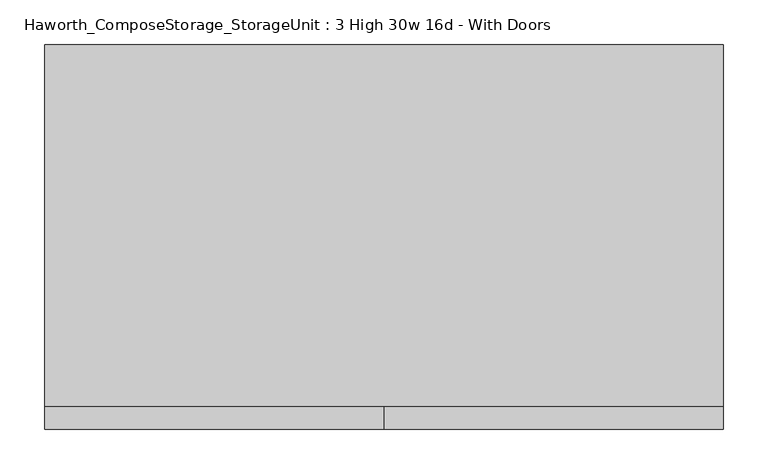
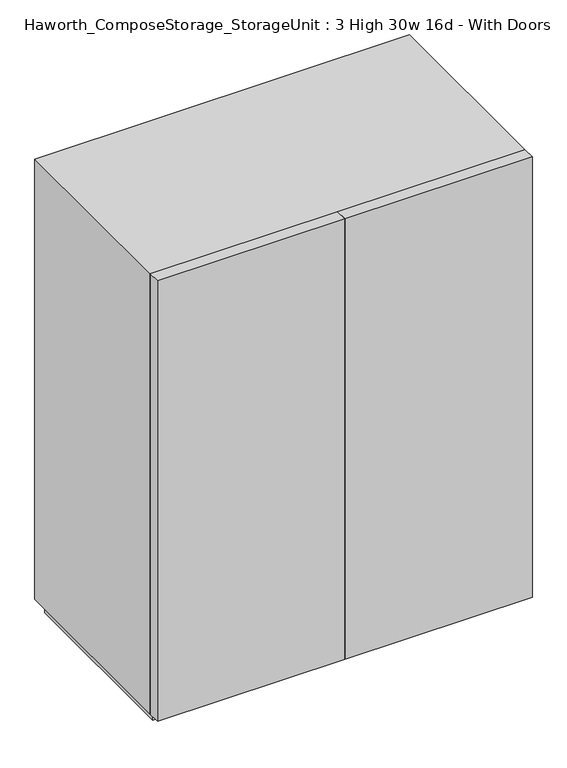
"""IFC4 building model written with IfcOpenShell, lengths in millimetres: furniture geometry, Haworth_ComposeStorage_StorageUnit : 3 High 30w 16d - With Doors."""

from ifc_helpers import new_model, si_unit, frame, origin, origin_with_axes, place, context, project, spatial, polyline, outline, extrude, source, transform, mapped, element, save


def haworth_composestorage_storageunit_3_high_30w_16d_with_doors_0f1ec6e2(model_context):
    return source(origin(), model_context, "Body", "SweptSolid", [
        extrude(outline(polyline([(361.9569453, 219.075), (361.9569453, -152.4), (-361.9291641, -152.4), (-361.9291641, 219.075), (361.9569453, 219.075)])), frame((0.0, 0.0, 652.9916667), z_axis=(0.0, 0.0, 1.0), x_axis=(1.0, 0.0, 0.0)), (0.0, 0.0, 1.0), 19.05),
        extrude(outline(polyline([(361.9569453, 219.075), (361.9569453, -152.4), (-361.9291641, -152.4), (-361.9291641, 219.075), (361.9569453, 219.075)])), frame((0.0, 0.0, 324.9083333), z_axis=(0.0, 0.0, 1.0), x_axis=(1.0, 0.0, 0.0)), (0.0, 0.0, 1.0), 19.05),
        extrude(outline(polyline([(0.0138906, -177.8), (0.0138906, -152.4), (381.0138906, -152.4), (381.0138906, -177.8), (0.0138906, -177.8)])), frame((0.0, 0.0, 25.4), z_axis=(0.0, 0.0, 1.0), x_axis=(1.0, 0.0, 0.0)), (0.0, 0.0, 1.0), 946.15),
        extrude(outline(polyline([(0.0138906, -177.8), (-380.9861094, -177.8), (-380.9861094, -152.4), (0.0138906, -152.4), (0.0138906, -177.8)])), frame((0.0, 0.0, 25.4), z_axis=(0.0, 0.0, 1.0), x_axis=(1.0, 0.0, 0.0)), (0.0, 0.0, 1.0), 946.15),
        extrude(outline(polyline([(25.4, -380.9861094), (25.4, 381.0138906), (971.55, 381.0138906), (971.55, -380.9861094), (25.4, -380.9861094)]), holes=[polyline([(44.45, -361.9361094), (952.5, -361.9361094), (952.5, 361.9569453), (44.45, 361.9569453), (44.45, -361.9361094)])]), frame((0.0, -152.4, 0.0), z_axis=(0.0, 1.0, 0.0), x_axis=(0.0, 0.0, 1.0)), (0.0, 0.0, 1.0), 406.4),
        extrude(outline(polyline([(-361.9291641, 219.075), (-361.9291641, 228.6), (361.9569453, 228.6), (361.9569453, 219.075), (-361.9291641, 219.075)])), frame((0.0, 0.0, 44.45), z_axis=(0.0, 0.0, 1.0), x_axis=(1.0, 0.0, 0.0)), (0.0, 0.0, 1.0), 908.05),
        extrude(outline(polyline([(368.3138906, -139.7), (-368.2861094, -139.7), (-368.2861094, 241.3), (368.3138906, 241.3), (368.3138906, -139.7)])), origin_with_axes(), (0.0, 0.0, 1.0), 25.4),
    ])


if __name__ == "__main__":
    model = new_model("IFC4")
    model_context = context("Model", 3, world=origin())
    ifc_project = project(units=[si_unit("LENGTHUNIT", "METRE", prefix="MILLI")], contexts=[model_context])
    site = spatial("IfcSite", under=ifc_project)
    building = spatial("IfcBuilding", under=site)
    placement = place(None, origin())
    haworth_composestorage_storageunit_3_high_30w_16d_with_doors_shape = haworth_composestorage_storageunit_3_high_30w_16d_with_doors_0f1ec6e2(model_context)
    element("IfcFurniture", 1, ObjectType="Haworth_ComposeStorage_StorageUnit : 3 High 30w 16d - With Doors", at=placement, inside=building, context=model_context, shape_type="MappedRepresentation", body=[
        mapped(haworth_composestorage_storageunit_3_high_30w_16d_with_doors_shape, transform((0.0, 0.0, 0.0), x_axis=(1.0, 0.0, 0.0), y_axis=(0.0, 1.0, 0.0), z_axis=(0.0, 0.0, 1.0))),
    ])
    save(model, "model.ifc")
